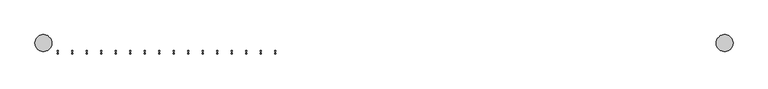
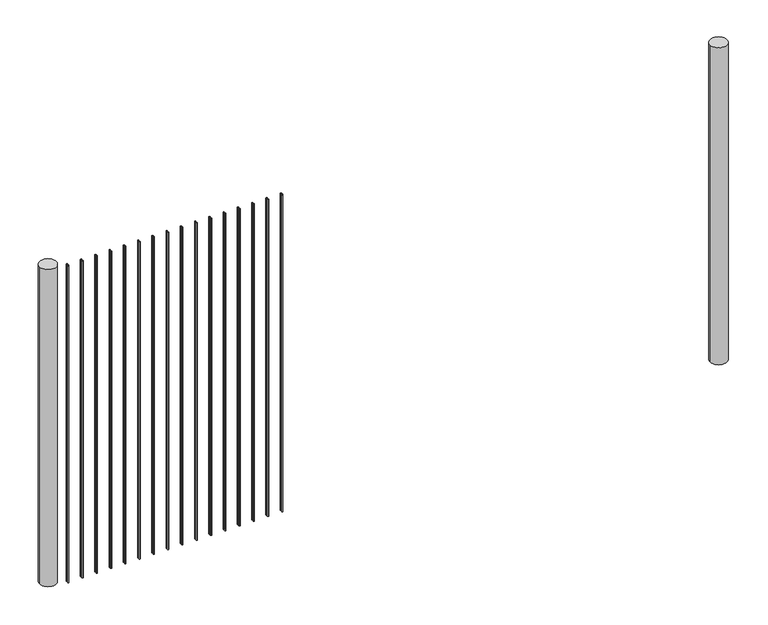
"""IFC4 building model written with IfcOpenShell, lengths in millimetres: railing geometry."""

from ifc_helpers import new_model, si_unit, point, frame, frame_2d, origin, place, context, project, spatial, circle_curve, trimmed, segment, composite_curve, outline, extrude, source, transform, mapped, element, save


def railing_7748ca34(model_context):
    return source(origin(), model_context, "Body", "SweptSolid", [
        extrude(outline(composite_curve([segment(trimmed(circle_curve(frame_2d((-10658.9924669, 6991.533261)), 2.0574), [point((-10658.9924669, 6989.475861))], [point((-10658.9924669, 6993.590661))], False, "CARTESIAN"), True, "CONTINUOUS"), segment(trimmed(circle_curve(frame_2d((-10658.9924669, 6991.533261)), 2.0574), [point((-10658.9924669, 6993.590661))], [point((-10658.9924669, 6989.475861))], False, "CARTESIAN"), True, "CONTINUOUS")], self_intersect=False)), frame((0.0, 0.0, 53340.0), z_axis=(0.0, 0.0, 1.0), x_axis=(1.0, 0.0, 0.0)), (0.0, 0.0, 1.0), 1219.2),
        extrude(outline(composite_curve([segment(trimmed(circle_curve(frame_2d((-10658.9924669, 6983.303661)), 2.0574), [point((-10658.9924669, 6985.361061))], [point((-10658.9924669, 6981.246261))], False, "CARTESIAN"), True, "CONTINUOUS"), segment(trimmed(circle_curve(frame_2d((-10658.9924669, 6983.303661)), 2.0574), [point((-10658.9924669, 6981.246261))], [point((-10658.9924669, 6985.361061))], False, "CARTESIAN"), True, "CONTINUOUS")], self_intersect=False)), frame((0.0, 0.0, 53340.0), z_axis=(0.0, 0.0, 1.0), x_axis=(1.0, 0.0, 0.0)), (0.0, 0.0, 1.0), 1219.2),
        extrude(outline(composite_curve([segment(trimmed(circle_curve(frame_2d((-10710.8733179, 6991.533261)), 2.0574), [point((-10710.8733179, 6989.475861))], [point((-10710.8733179, 6993.590661))], False, "CARTESIAN"), True, "CONTINUOUS"), segment(trimmed(circle_curve(frame_2d((-10710.8733179, 6991.533261)), 2.0574), [point((-10710.8733179, 6993.590661))], [point((-10710.8733179, 6989.475861))], False, "CARTESIAN"), True, "CONTINUOUS")], self_intersect=False)), frame((0.0, 0.0, 53340.0), z_axis=(0.0, 0.0, 1.0), x_axis=(1.0, 0.0, 0.0)), (0.0, 0.0, 1.0), 1219.2),
        extrude(outline(composite_curve([segment(trimmed(circle_curve(frame_2d((-10710.8733179, 6983.303661)), 2.0574), [point((-10710.8733179, 6985.361061))], [point((-10710.8733179, 6981.246261))], False, "CARTESIAN"), True, "CONTINUOUS"), segment(trimmed(circle_curve(frame_2d((-10710.8733179, 6983.303661)), 2.0574), [point((-10710.8733179, 6981.246261))], [point((-10710.8733179, 6985.361061))], False, "CARTESIAN"), True, "CONTINUOUS")], self_intersect=False)), frame((0.0, 0.0, 53340.0), z_axis=(0.0, 0.0, 1.0), x_axis=(1.0, 0.0, 0.0)), (0.0, 0.0, 1.0), 1219.2),
        extrude(outline(composite_curve([segment(trimmed(circle_curve(frame_2d((-10762.754169, 6991.533261)), 2.0574), [point((-10762.754169, 6989.475861))], [point((-10762.754169, 6993.590661))], False, "CARTESIAN"), True, "CONTINUOUS"), segment(trimmed(circle_curve(frame_2d((-10762.754169, 6991.533261)), 2.0574), [point((-10762.754169, 6993.590661))], [point((-10762.754169, 6989.475861))], False, "CARTESIAN"), True, "CONTINUOUS")], self_intersect=False)), frame((0.0, 0.0, 53340.0), z_axis=(0.0, 0.0, 1.0), x_axis=(1.0, 0.0, 0.0)), (0.0, 0.0, 1.0), 1219.2),
        extrude(outline(composite_curve([segment(trimmed(circle_curve(frame_2d((-10762.754169, 6983.303661)), 2.0574), [point((-10762.754169, 6985.361061))], [point((-10762.754169, 6981.246261))], False, "CARTESIAN"), True, "CONTINUOUS"), segment(trimmed(circle_curve(frame_2d((-10762.754169, 6983.303661)), 2.0574), [point((-10762.754169, 6981.246261))], [point((-10762.754169, 6985.361061))], False, "CARTESIAN"), True, "CONTINUOUS")], self_intersect=False)), frame((0.0, 0.0, 53340.0), z_axis=(0.0, 0.0, 1.0), x_axis=(1.0, 0.0, 0.0)), (0.0, 0.0, 1.0), 1219.2),
        extrude(outline(composite_curve([segment(trimmed(circle_curve(frame_2d((-10814.6350201, 6991.533261)), 2.0574), [point((-10814.6350201, 6989.475861))], [point((-10814.6350201, 6993.590661))], False, "CARTESIAN"), True, "CONTINUOUS"), segment(trimmed(circle_curve(frame_2d((-10814.6350201, 6991.533261)), 2.0574), [point((-10814.6350201, 6993.590661))], [point((-10814.6350201, 6989.475861))], False, "CARTESIAN"), True, "CONTINUOUS")], self_intersect=False)), frame((0.0, 0.0, 53340.0), z_axis=(0.0, 0.0, 1.0), x_axis=(1.0, 0.0, 0.0)), (0.0, 0.0, 1.0), 1219.2),
        extrude(outline(composite_curve([segment(trimmed(circle_curve(frame_2d((-10814.6350201, 6983.303661)), 2.0574), [point((-10814.6350201, 6985.361061))], [point((-10814.6350201, 6981.246261))], False, "CARTESIAN"), True, "CONTINUOUS"), segment(trimmed(circle_curve(frame_2d((-10814.6350201, 6983.303661)), 2.0574), [point((-10814.6350201, 6981.246261))], [point((-10814.6350201, 6985.361061))], False, "CARTESIAN"), True, "CONTINUOUS")], self_intersect=False)), frame((0.0, 0.0, 53340.0), z_axis=(0.0, 0.0, 1.0), x_axis=(1.0, 0.0, 0.0)), (0.0, 0.0, 1.0), 1219.2),
        extrude(outline(composite_curve([segment(trimmed(circle_curve(frame_2d((-10866.5158711, 6991.533261)), 2.0574), [point((-10866.5158711, 6989.475861))], [point((-10866.5158711, 6993.590661))], False, "CARTESIAN"), True, "CONTINUOUS"), segment(trimmed(circle_curve(frame_2d((-10866.5158711, 6991.533261)), 2.0574), [point((-10866.5158711, 6993.590661))], [point((-10866.5158711, 6989.475861))], False, "CARTESIAN"), True, "CONTINUOUS")], self_intersect=False)), frame((0.0, 0.0, 53340.0), z_axis=(0.0, 0.0, 1.0), x_axis=(1.0, 0.0, 0.0)), (0.0, 0.0, 1.0), 1219.2),
        extrude(outline(composite_curve([segment(trimmed(circle_curve(frame_2d((-10866.5158711, 6983.303661)), 2.0574), [point((-10866.5158711, 6985.361061))], [point((-10866.5158711, 6981.246261))], False, "CARTESIAN"), True, "CONTINUOUS"), segment(trimmed(circle_curve(frame_2d((-10866.5158711, 6983.303661)), 2.0574), [point((-10866.5158711, 6981.246261))], [point((-10866.5158711, 6985.361061))], False, "CARTESIAN"), True, "CONTINUOUS")], self_intersect=False)), frame((0.0, 0.0, 53340.0), z_axis=(0.0, 0.0, 1.0), x_axis=(1.0, 0.0, 0.0)), (0.0, 0.0, 1.0), 1219.2),
        extrude(outline(composite_curve([segment(trimmed(circle_curve(frame_2d((-10918.3967222, 6991.533261)), 2.0574), [point((-10918.3967222, 6989.475861))], [point((-10918.3967222, 6993.590661))], False, "CARTESIAN"), True, "CONTINUOUS"), segment(trimmed(circle_curve(frame_2d((-10918.3967222, 6991.533261)), 2.0574), [point((-10918.3967222, 6993.590661))], [point((-10918.3967222, 6989.475861))], False, "CARTESIAN"), True, "CONTINUOUS")], self_intersect=False)), frame((0.0, 0.0, 53340.0), z_axis=(0.0, 0.0, 1.0), x_axis=(1.0, 0.0, 0.0)), (0.0, 0.0, 1.0), 1219.2),
        extrude(outline(composite_curve([segment(trimmed(circle_curve(frame_2d((-10918.3967222, 6983.303661)), 2.0574), [point((-10918.3967222, 6985.361061))], [point((-10918.3967222, 6981.246261))], False, "CARTESIAN"), True, "CONTINUOUS"), segment(trimmed(circle_curve(frame_2d((-10918.3967222, 6983.303661)), 2.0574), [point((-10918.3967222, 6981.246261))], [point((-10918.3967222, 6985.361061))], False, "CARTESIAN"), True, "CONTINUOUS")], self_intersect=False)), frame((0.0, 0.0, 53340.0), z_axis=(0.0, 0.0, 1.0), x_axis=(1.0, 0.0, 0.0)), (0.0, 0.0, 1.0), 1219.2),
        extrude(outline(composite_curve([segment(trimmed(circle_curve(frame_2d((-10970.2775733, 6991.533261)), 2.0574), [point((-10970.2775733, 6989.475861))], [point((-10970.2775733, 6993.590661))], False, "CARTESIAN"), True, "CONTINUOUS"), segment(trimmed(circle_curve(frame_2d((-10970.2775733, 6991.533261)), 2.0574), [point((-10970.2775733, 6993.590661))], [point((-10970.2775733, 6989.475861))], False, "CARTESIAN"), True, "CONTINUOUS")], self_intersect=False)), frame((0.0, 0.0, 53340.0), z_axis=(0.0, 0.0, 1.0), x_axis=(1.0, 0.0, 0.0)), (0.0, 0.0, 1.0), 1219.2),
        extrude(outline(composite_curve([segment(trimmed(circle_curve(frame_2d((-10970.2775733, 6983.303661)), 2.0574), [point((-10970.2775733, 6985.361061))], [point((-10970.2775733, 6981.246261))], False, "CARTESIAN"), True, "CONTINUOUS"), segment(trimmed(circle_curve(frame_2d((-10970.2775733, 6983.303661)), 2.0574), [point((-10970.2775733, 6981.246261))], [point((-10970.2775733, 6985.361061))], False, "CARTESIAN"), True, "CONTINUOUS")], self_intersect=False)), frame((0.0, 0.0, 53340.0), z_axis=(0.0, 0.0, 1.0), x_axis=(1.0, 0.0, 0.0)), (0.0, 0.0, 1.0), 1219.2),
        extrude(outline(composite_curve([segment(trimmed(circle_curve(frame_2d((-11022.1584243, 6991.533261)), 2.0574), [point((-11022.1584243, 6989.475861))], [point((-11022.1584243, 6993.590661))], False, "CARTESIAN"), True, "CONTINUOUS"), segment(trimmed(circle_curve(frame_2d((-11022.1584243, 6991.533261)), 2.0574), [point((-11022.1584243, 6993.590661))], [point((-11022.1584243, 6989.475861))], False, "CARTESIAN"), True, "CONTINUOUS")], self_intersect=False)), frame((0.0, 0.0, 53340.0), z_axis=(0.0, 0.0, 1.0), x_axis=(1.0, 0.0, 0.0)), (0.0, 0.0, 1.0), 1219.2),
        extrude(outline(composite_curve([segment(trimmed(circle_curve(frame_2d((-11022.1584243, 6983.303661)), 2.0574), [point((-11022.1584243, 6985.361061))], [point((-11022.1584243, 6981.246261))], False, "CARTESIAN"), True, "CONTINUOUS"), segment(trimmed(circle_curve(frame_2d((-11022.1584243, 6983.303661)), 2.0574), [point((-11022.1584243, 6981.246261))], [point((-11022.1584243, 6985.361061))], False, "CARTESIAN"), True, "CONTINUOUS")], self_intersect=False)), frame((0.0, 0.0, 53340.0), z_axis=(0.0, 0.0, 1.0), x_axis=(1.0, 0.0, 0.0)), (0.0, 0.0, 1.0), 1219.2),
        extrude(outline(composite_curve([segment(trimmed(circle_curve(frame_2d((-11074.0392754, 6991.533261)), 2.0574), [point((-11074.0392754, 6989.475861))], [point((-11074.0392754, 6993.590661))], False, "CARTESIAN"), True, "CONTINUOUS"), segment(trimmed(circle_curve(frame_2d((-11074.0392754, 6991.533261)), 2.0574), [point((-11074.0392754, 6993.590661))], [point((-11074.0392754, 6989.475861))], False, "CARTESIAN"), True, "CONTINUOUS")], self_intersect=False)), frame((0.0, 0.0, 53340.0), z_axis=(0.0, 0.0, 1.0), x_axis=(1.0, 0.0, 0.0)), (0.0, 0.0, 1.0), 1219.2),
        extrude(outline(composite_curve([segment(trimmed(circle_curve(frame_2d((-11074.0392754, 6983.303661)), 2.0574), [point((-11074.0392754, 6985.361061))], [point((-11074.0392754, 6981.246261))], False, "CARTESIAN"), True, "CONTINUOUS"), segment(trimmed(circle_curve(frame_2d((-11074.0392754, 6983.303661)), 2.0574), [point((-11074.0392754, 6981.246261))], [point((-11074.0392754, 6985.361061))], False, "CARTESIAN"), True, "CONTINUOUS")], self_intersect=False)), frame((0.0, 0.0, 53340.0), z_axis=(0.0, 0.0, 1.0), x_axis=(1.0, 0.0, 0.0)), (0.0, 0.0, 1.0), 1219.2),
        extrude(outline(composite_curve([segment(trimmed(circle_curve(frame_2d((-11125.9201264, 6991.533261)), 2.0574), [point((-11125.9201264, 6989.475861))], [point((-11125.9201264, 6993.590661))], False, "CARTESIAN"), True, "CONTINUOUS"), segment(trimmed(circle_curve(frame_2d((-11125.9201264, 6991.533261)), 2.0574), [point((-11125.9201264, 6993.590661))], [point((-11125.9201264, 6989.475861))], False, "CARTESIAN"), True, "CONTINUOUS")], self_intersect=False)), frame((0.0, 0.0, 53340.0), z_axis=(0.0, 0.0, 1.0), x_axis=(1.0, 0.0, 0.0)), (0.0, 0.0, 1.0), 1219.2),
        extrude(outline(composite_curve([segment(trimmed(circle_curve(frame_2d((-11125.9201264, 6983.303661)), 2.0574), [point((-11125.9201264, 6985.361061))], [point((-11125.9201264, 6981.246261))], False, "CARTESIAN"), True, "CONTINUOUS"), segment(trimmed(circle_curve(frame_2d((-11125.9201264, 6983.303661)), 2.0574), [point((-11125.9201264, 6981.246261))], [point((-11125.9201264, 6985.361061))], False, "CARTESIAN"), True, "CONTINUOUS")], self_intersect=False)), frame((0.0, 0.0, 53340.0), z_axis=(0.0, 0.0, 1.0), x_axis=(1.0, 0.0, 0.0)), (0.0, 0.0, 1.0), 1219.2),
        extrude(outline(composite_curve([segment(trimmed(circle_curve(frame_2d((-11177.8009775, 6991.533261)), 2.0574), [point((-11177.8009775, 6989.475861))], [point((-11177.8009775, 6993.590661))], False, "CARTESIAN"), True, "CONTINUOUS"), segment(trimmed(circle_curve(frame_2d((-11177.8009775, 6991.533261)), 2.0574), [point((-11177.8009775, 6993.590661))], [point((-11177.8009775, 6989.475861))], False, "CARTESIAN"), True, "CONTINUOUS")], self_intersect=False)), frame((0.0, 0.0, 53340.0), z_axis=(0.0, 0.0, 1.0), x_axis=(1.0, 0.0, 0.0)), (0.0, 0.0, 1.0), 1219.2),
        extrude(outline(composite_curve([segment(trimmed(circle_curve(frame_2d((-11177.8009775, 6983.303661)), 2.0574), [point((-11177.8009775, 6985.361061))], [point((-11177.8009775, 6981.246261))], False, "CARTESIAN"), True, "CONTINUOUS"), segment(trimmed(circle_curve(frame_2d((-11177.8009775, 6983.303661)), 2.0574), [point((-11177.8009775, 6981.246261))], [point((-11177.8009775, 6985.361061))], False, "CARTESIAN"), True, "CONTINUOUS")], self_intersect=False)), frame((0.0, 0.0, 53340.0), z_axis=(0.0, 0.0, 1.0), x_axis=(1.0, 0.0, 0.0)), (0.0, 0.0, 1.0), 1219.2),
        extrude(outline(composite_curve([segment(trimmed(circle_curve(frame_2d((-11229.6818286, 6991.533261)), 2.0574), [point((-11229.6818286, 6989.475861))], [point((-11229.6818286, 6993.590661))], False, "CARTESIAN"), True, "CONTINUOUS"), segment(trimmed(circle_curve(frame_2d((-11229.6818286, 6991.533261)), 2.0574), [point((-11229.6818286, 6993.590661))], [point((-11229.6818286, 6989.475861))], False, "CARTESIAN"), True, "CONTINUOUS")], self_intersect=False)), frame((0.0, 0.0, 53340.0), z_axis=(0.0, 0.0, 1.0), x_axis=(1.0, 0.0, 0.0)), (0.0, 0.0, 1.0), 1219.2),
        extrude(outline(composite_curve([segment(trimmed(circle_curve(frame_2d((-11229.6818286, 6983.303661)), 2.0574), [point((-11229.6818286, 6985.361061))], [point((-11229.6818286, 6981.246261))], False, "CARTESIAN"), True, "CONTINUOUS"), segment(trimmed(circle_curve(frame_2d((-11229.6818286, 6983.303661)), 2.0574), [point((-11229.6818286, 6981.246261))], [point((-11229.6818286, 6985.361061))], False, "CARTESIAN"), True, "CONTINUOUS")], self_intersect=False)), frame((0.0, 0.0, 53340.0), z_axis=(0.0, 0.0, 1.0), x_axis=(1.0, 0.0, 0.0)), (0.0, 0.0, 1.0), 1219.2),
        extrude(outline(composite_curve([segment(trimmed(circle_curve(frame_2d((-11281.5626796, 6991.533261)), 2.0574), [point((-11281.5626796, 6989.475861))], [point((-11281.5626796, 6993.590661))], False, "CARTESIAN"), True, "CONTINUOUS"), segment(trimmed(circle_curve(frame_2d((-11281.5626796, 6991.533261)), 2.0574), [point((-11281.5626796, 6993.590661))], [point((-11281.5626796, 6989.475861))], False, "CARTESIAN"), True, "CONTINUOUS")], self_intersect=False)), frame((0.0, 0.0, 53340.0), z_axis=(0.0, 0.0, 1.0), x_axis=(1.0, 0.0, 0.0)), (0.0, 0.0, 1.0), 1219.2),
        extrude(outline(composite_curve([segment(trimmed(circle_curve(frame_2d((-11281.5626796, 6983.303661)), 2.0574), [point((-11281.5626796, 6985.361061))], [point((-11281.5626796, 6981.246261))], False, "CARTESIAN"), True, "CONTINUOUS"), segment(trimmed(circle_curve(frame_2d((-11281.5626796, 6983.303661)), 2.0574), [point((-11281.5626796, 6981.246261))], [point((-11281.5626796, 6985.361061))], False, "CARTESIAN"), True, "CONTINUOUS")], self_intersect=False)), frame((0.0, 0.0, 53340.0), z_axis=(0.0, 0.0, 1.0), x_axis=(1.0, 0.0, 0.0)), (0.0, 0.0, 1.0), 1219.2),
        extrude(outline(composite_curve([segment(trimmed(circle_curve(frame_2d((-11333.4435307, 6991.533261)), 2.0574), [point((-11333.4435307, 6989.475861))], [point((-11333.4435307, 6993.590661))], False, "CARTESIAN"), True, "CONTINUOUS"), segment(trimmed(circle_curve(frame_2d((-11333.4435307, 6991.533261)), 2.0574), [point((-11333.4435307, 6993.590661))], [point((-11333.4435307, 6989.475861))], False, "CARTESIAN"), True, "CONTINUOUS")], self_intersect=False)), frame((0.0, 0.0, 53340.0), z_axis=(0.0, 0.0, 1.0), x_axis=(1.0, 0.0, 0.0)), (0.0, 0.0, 1.0), 1219.2),
        extrude(outline(composite_curve([segment(trimmed(circle_curve(frame_2d((-11333.4435307, 6983.303661)), 2.0574), [point((-11333.4435307, 6985.361061))], [point((-11333.4435307, 6981.246261))], False, "CARTESIAN"), True, "CONTINUOUS"), segment(trimmed(circle_curve(frame_2d((-11333.4435307, 6983.303661)), 2.0574), [point((-11333.4435307, 6981.246261))], [point((-11333.4435307, 6985.361061))], False, "CARTESIAN"), True, "CONTINUOUS")], self_intersect=False)), frame((0.0, 0.0, 53340.0), z_axis=(0.0, 0.0, 1.0), x_axis=(1.0, 0.0, 0.0)), (0.0, 0.0, 1.0), 1219.2),
        extrude(outline(composite_curve([segment(trimmed(circle_curve(frame_2d((-11385.3243818, 6991.533261)), 2.0574), [point((-11385.3243818, 6989.475861))], [point((-11385.3243818, 6993.590661))], False, "CARTESIAN"), True, "CONTINUOUS"), segment(trimmed(circle_curve(frame_2d((-11385.3243818, 6991.533261)), 2.0574), [point((-11385.3243818, 6993.590661))], [point((-11385.3243818, 6989.475861))], False, "CARTESIAN"), True, "CONTINUOUS")], self_intersect=False)), frame((0.0, 0.0, 53340.0), z_axis=(0.0, 0.0, 1.0), x_axis=(1.0, 0.0, 0.0)), (0.0, 0.0, 1.0), 1219.2),
        extrude(outline(composite_curve([segment(trimmed(circle_curve(frame_2d((-11385.3243818, 6983.303661)), 2.0574), [point((-11385.3243818, 6985.361061))], [point((-11385.3243818, 6981.246261))], False, "CARTESIAN"), True, "CONTINUOUS"), segment(trimmed(circle_curve(frame_2d((-11385.3243818, 6983.303661)), 2.0574), [point((-11385.3243818, 6981.246261))], [point((-11385.3243818, 6985.361061))], False, "CARTESIAN"), True, "CONTINUOUS")], self_intersect=False)), frame((0.0, 0.0, 53340.0), z_axis=(0.0, 0.0, 1.0), x_axis=(1.0, 0.0, 0.0)), (0.0, 0.0, 1.0), 1219.2),
        extrude(outline(composite_curve([segment(trimmed(circle_curve(frame_2d((-11437.2052328, 6991.533261)), 2.0574), [point((-11437.2052328, 6989.475861))], [point((-11437.2052328, 6993.590661))], False, "CARTESIAN"), True, "CONTINUOUS"), segment(trimmed(circle_curve(frame_2d((-11437.2052328, 6991.533261)), 2.0574), [point((-11437.2052328, 6993.590661))], [point((-11437.2052328, 6989.475861))], False, "CARTESIAN"), True, "CONTINUOUS")], self_intersect=False)), frame((0.0, 0.0, 53340.0), z_axis=(0.0, 0.0, 1.0), x_axis=(1.0, 0.0, 0.0)), (0.0, 0.0, 1.0), 1219.2),
        extrude(outline(composite_curve([segment(trimmed(circle_curve(frame_2d((-11437.2052328, 6983.303661)), 2.0574), [point((-11437.2052328, 6985.361061))], [point((-11437.2052328, 6981.246261))], False, "CARTESIAN"), True, "CONTINUOUS"), segment(trimmed(circle_curve(frame_2d((-11437.2052328, 6983.303661)), 2.0574), [point((-11437.2052328, 6981.246261))], [point((-11437.2052328, 6985.361061))], False, "CARTESIAN"), True, "CONTINUOUS")], self_intersect=False)), frame((0.0, 0.0, 53340.0), z_axis=(0.0, 0.0, 1.0), x_axis=(1.0, 0.0, 0.0)), (0.0, 0.0, 1.0), 1219.2),
        extrude(outline(composite_curve([segment(trimmed(circle_curve(frame_2d((-9050.6860839, 7020.755961)), 30.1625), [point((-9080.8485839, 7020.755961))], [point((-9020.5235839, 7020.755961))], False, "CARTESIAN"), True, "CONTINUOUS"), segment(trimmed(circle_curve(frame_2d((-9050.6860839, 7020.755961)), 30.1625), [point((-9020.5235839, 7020.755961))], [point((-9080.8485839, 7020.755961))], False, "CARTESIAN"), True, "CONTINUOUS")], self_intersect=False)), frame((0.0, 0.0, 53340.0), z_axis=(0.0, 0.0, 1.0), x_axis=(1.0, 0.0, 0.0)), (0.0, 0.0, 1.0), 1219.2),
        extrude(outline(composite_curve([segment(trimmed(circle_curve(frame_2d((-11489.0860839, 7020.755961)), 30.1625), [point((-11519.2485839, 7020.755961))], [point((-11458.9235839, 7020.755961))], False, "CARTESIAN"), True, "CONTINUOUS"), segment(trimmed(circle_curve(frame_2d((-11489.0860839, 7020.755961)), 30.1625), [point((-11458.9235839, 7020.755961))], [point((-11519.2485839, 7020.755961))], False, "CARTESIAN"), True, "CONTINUOUS")], self_intersect=False)), frame((0.0, 0.0, 53340.0), z_axis=(0.0, 0.0, 1.0), x_axis=(1.0, 0.0, 0.0)), (0.0, 0.0, 1.0), 1219.2),
    ])


if __name__ == "__main__":
    model = new_model("IFC4")
    model_context = context("Model", 3, world=origin())
    ifc_project = project(units=[si_unit("LENGTHUNIT", "METRE", prefix="MILLI")], contexts=[model_context])
    site = spatial("IfcSite", under=ifc_project)
    building = spatial("IfcBuilding", under=site)
    placement = place(None, origin())
    railing_shape = railing_7748ca34(model_context)
    element("IfcRailing", 1, at=placement, inside=building, context=model_context, shape_type="MappedRepresentation", body=[
        mapped(railing_shape, transform((0.0, 0.0, 0.0), x_axis=(1.0, 0.0, 0.0), y_axis=(0.0, 1.0, 0.0), z_axis=(0.0, 0.0, 1.0))),
    ])
    save(model, "model.ifc")
